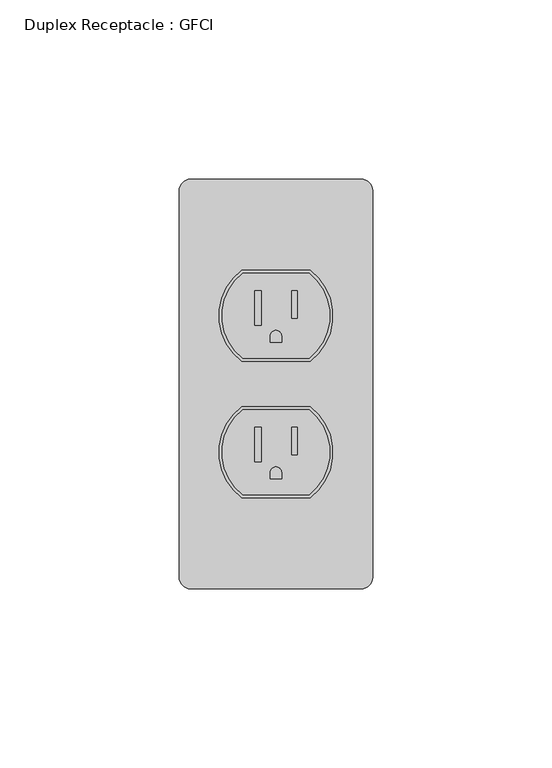
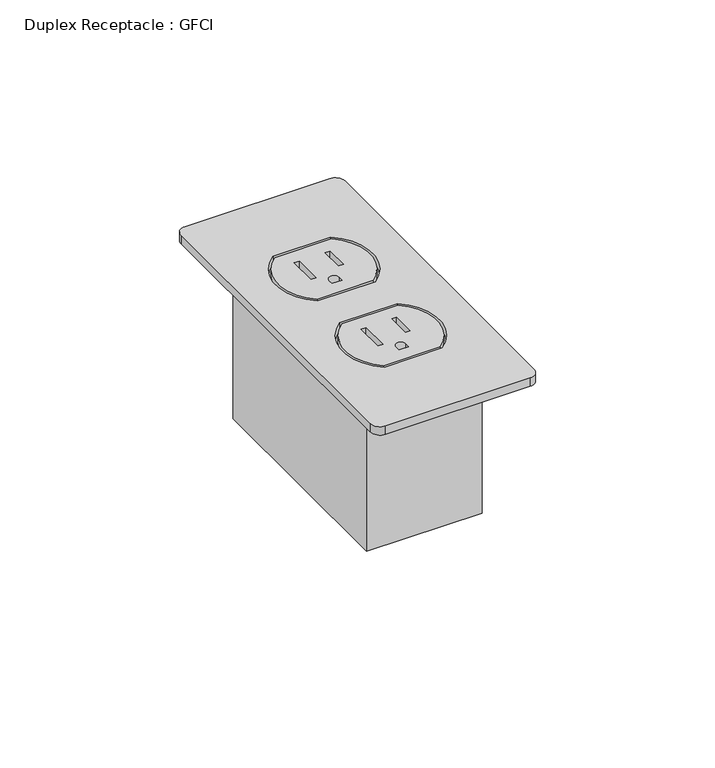
"""IFC4 building model written with IfcOpenShell, lengths in millimetres: proxy geometry, Duplex Receptacle : GFCI."""

from ifc_helpers import new_model, si_unit, point, frame, frame_2d, origin, origin_with_axes, place, context, project, spatial, polyline, circle_curve, trimmed, segment, composite_curve, outline, extrude, source, transform, mapped, element, save


def duplex_receptacle_gfci_c2ca504c(model_context):
    return source(origin(), model_context, "Body", "SweptSolid", [
        extrude(outline(polyline([(19.05, 38.1), (19.05, -38.1), (-19.05, -38.1), (-19.05, 38.1), (19.05, 38.1)])), frame((0.0, 0.0, -53.975), z_axis=(0.0, 0.0, 1.0), x_axis=(1.0, 0.0, 0.0)), (0.0, 0.0, 1.0), 53.975),
        extrude(outline(composite_curve([segment(trimmed(circle_curve(frame_2d((0.0, 19.05)), 15.08125), [point((9.2566361, 30.95625))], [point((9.2566361, 7.14375))], False, "CARTESIAN"), True, "CONTINUOUS"), segment(polyline([(9.2566361, 7.14375), (-9.2566361, 7.14375)]), True, "CONTINUOUS"), segment(trimmed(circle_curve(frame_2d((0.0, 19.05)), 15.08125), [point((-9.2566361, 7.14375))], [point((-9.2566361, 30.95625))], False, "CARTESIAN"), True, "CONTINUOUS"), segment(polyline([(-9.2566361, 30.95625), (9.2566361, 30.95625)]), True, "CONTINUOUS")], self_intersect=False), holes=[polyline([(-4.1419571, 25.9664222), (-5.8300041, 25.9664222), (-5.8300041, 16.4519754), (-4.1419571, 16.4519754), (-4.1419571, 25.9664222)]), polyline([(5.9095955, 25.9664222), (4.3750073, 25.9664222), (4.3750073, 18.2934812), (5.9095955, 18.2934812), (5.9095955, 25.9664222)]), composite_curve([segment(polyline([(1.5875, 11.698511), (1.5875, 13.3770264)]), True, "CONTINUOUS"), segment(trimmed(circle_curve(frame_2d((0.0, 13.3770264)), 1.5875), [point((1.5875, 13.3770264))], [point((-1.5875, 13.3770264))], True, "CARTESIAN"), True, "CONTINUOUS"), segment(polyline([(-1.5875, 13.3770264), (-1.5875, 11.698511), (1.5875, 11.698511)]), True, "CONTINUOUS")], self_intersect=False)]), origin_with_axes(), (0.0, 0.0, 1.0), 2.9176759),
        extrude(outline(composite_curve([segment(trimmed(circle_curve(frame_2d((0.0, -19.05)), 15.08125), [point((9.2566361, -7.14375))], [point((9.2566361, -30.95625))], False, "CARTESIAN"), True, "CONTINUOUS"), segment(polyline([(9.2566361, -30.95625), (-9.2566361, -30.95625)]), True, "CONTINUOUS"), segment(trimmed(circle_curve(frame_2d((0.0, -19.05)), 15.08125), [point((-9.2566361, -30.95625))], [point((-9.2566361, -7.14375))], False, "CARTESIAN"), True, "CONTINUOUS"), segment(polyline([(-9.2566361, -7.14375), (9.2566361, -7.14375)]), True, "CONTINUOUS")], self_intersect=False), holes=[polyline([(-4.1419571, -12.1335778), (-5.8300041, -12.1335778), (-5.8300041, -21.6480246), (-4.1419571, -21.6480246), (-4.1419571, -12.1335778)]), polyline([(5.9095955, -12.1335778), (4.3750073, -12.1335778), (4.3750073, -19.8065188), (5.9095955, -19.8065188), (5.9095955, -12.1335778)]), composite_curve([segment(polyline([(1.5875, -26.401489), (1.5875, -24.7229736)]), True, "CONTINUOUS"), segment(trimmed(circle_curve(frame_2d((0.0, -24.7229736)), 1.5875), [point((1.5875, -24.7229736))], [point((-1.5875, -24.7229736))], True, "CARTESIAN"), True, "CONTINUOUS"), segment(polyline([(-1.5875, -24.7229736), (-1.5875, -26.401489), (1.5875, -26.401489)]), True, "CONTINUOUS")], self_intersect=False)]), origin_with_axes(), (0.0, 0.0, 1.0), 2.9176759),
        extrude(outline(composite_curve([segment(trimmed(circle_curve(frame_2d((-23.8125, -53.975)), 3.175), [point((-23.8125, -57.15))], [point((-26.9875, -53.975))], False, "CARTESIAN"), True, "CONTINUOUS"), segment(polyline([(-26.9875, -53.975), (-26.9875, 53.975)]), True, "CONTINUOUS"), segment(trimmed(circle_curve(frame_2d((-23.8125, 53.975)), 3.175), [point((-26.9875, 53.975))], [point((-23.8125, 57.15))], False, "CARTESIAN"), True, "CONTINUOUS"), segment(polyline([(-23.8125, 57.15), (23.8125, 57.15)]), True, "CONTINUOUS"), segment(trimmed(circle_curve(frame_2d((23.8125, 53.975)), 3.175), [point((23.8125, 57.15))], [point((26.9875, 53.975))], False, "CARTESIAN"), True, "CONTINUOUS"), segment(polyline([(26.9875, 53.975), (26.9875, -53.975)]), True, "CONTINUOUS"), segment(trimmed(circle_curve(frame_2d((23.8125, -53.975)), 3.175), [point((26.9875, -53.975))], [point((23.8125, -57.15))], False, "CARTESIAN"), True, "CONTINUOUS"), segment(polyline([(23.8125, -57.15), (-23.8125, -57.15)]), True, "CONTINUOUS")], self_intersect=False), holes=[composite_curve([segment(polyline([(9.525, 31.75), (-9.525, 31.75)]), True, "CONTINUOUS"), segment(trimmed(circle_curve(frame_2d((0.0, 19.05)), 15.875), [point((-9.525, 31.75))], [point((-9.525, 6.35))], True, "CARTESIAN"), True, "CONTINUOUS"), segment(polyline([(-9.525, 6.35), (9.525, 6.35)]), True, "CONTINUOUS"), segment(trimmed(circle_curve(frame_2d((0.0, 19.05)), 15.875), [point((9.525, 6.35))], [point((9.525, 31.75))], True, "CARTESIAN"), True, "CONTINUOUS")], self_intersect=False), composite_curve([segment(polyline([(9.525, -6.35), (-9.525, -6.35)]), True, "CONTINUOUS"), segment(trimmed(circle_curve(frame_2d((0.0, -19.05)), 15.875), [point((-9.525, -6.35))], [point((-9.525, -31.75))], True, "CARTESIAN"), True, "CONTINUOUS"), segment(polyline([(-9.525, -31.75), (9.525, -31.75)]), True, "CONTINUOUS"), segment(trimmed(circle_curve(frame_2d((0.0, -19.05)), 15.875), [point((9.525, -31.75))], [point((9.525, -6.35))], True, "CARTESIAN"), True, "CONTINUOUS")], self_intersect=False)]), origin_with_axes(), (0.0, 0.0, 1.0), 2.9176759),
    ])


if __name__ == "__main__":
    model = new_model("IFC4")
    model_context = context("Model", 3, world=origin())
    ifc_project = project(units=[si_unit("LENGTHUNIT", "METRE", prefix="MILLI")], contexts=[model_context])
    site = spatial("IfcSite", under=ifc_project)
    building = spatial("IfcBuilding", under=site)
    placement = place(None, origin())
    duplex_receptacle_gfci_shape = duplex_receptacle_gfci_c2ca504c(model_context)
    element("IfcBuildingElementProxy", 1, Name="Duplex Receptacle : GFCI", ObjectType="Duplex Receptacle : GFCI", at=placement, inside=building, context=model_context, shape_type="MappedRepresentation", body=[
        mapped(duplex_receptacle_gfci_shape, transform((0.0, 0.0, 0.0), x_axis=(1.0, 0.0, 0.0), y_axis=(0.0, 1.0, 0.0), z_axis=(0.0, 0.0, 1.0))),
    ])
    save(model, "model.ifc")
